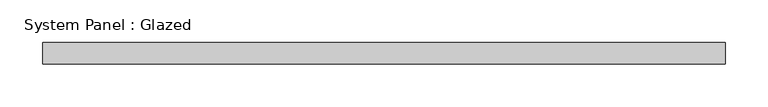
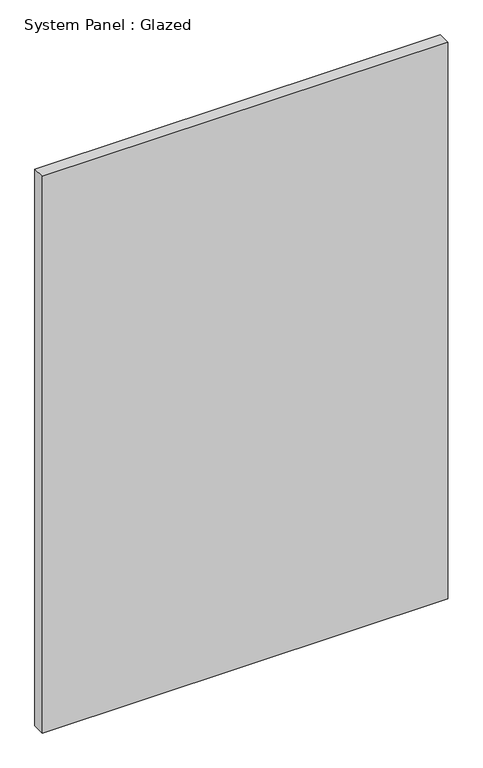
"""IFC4 building model written with IfcOpenShell, lengths in millimetres: plate geometry, System Panel : Glazed."""

from ifc_helpers import new_model, si_unit, origin, origin_with_axes, place, context, project, spatial, polyline, outline, extrude, source, transform, mapped, element, save


def system_panel_glazed_245c1cad(model_context):
    return source(origin(), model_context, "Body", "SweptSolid", [
        extrude(outline(polyline([(400.0, 19.05), (-400.0, 19.05), (-400.0, 44.45), (400.0, 44.45), (400.0, 19.05)])), origin_with_axes(), (0.0, 0.0, 1.0), 1161.6),
    ])


if __name__ == "__main__":
    model = new_model("IFC4")
    model_context = context("Model", 3, world=origin())
    ifc_project = project(units=[si_unit("LENGTHUNIT", "METRE", prefix="MILLI")], contexts=[model_context])
    site = spatial("IfcSite", under=ifc_project)
    building = spatial("IfcBuilding", under=site)
    placement = place(None, origin())
    system_panel_glazed_shape = system_panel_glazed_245c1cad(model_context)
    element("IfcPlate", 1, ObjectType="System Panel : Glazed", at=placement, inside=building, context=model_context, shape_type="MappedRepresentation", body=[
        mapped(system_panel_glazed_shape, transform((0.0, 0.0, 0.0), x_axis=(1.0, 0.0, 0.0), y_axis=(0.0, 1.0, 0.0), z_axis=(0.0, 0.0, 1.0))),
    ])
    save(model, "model.ifc")
